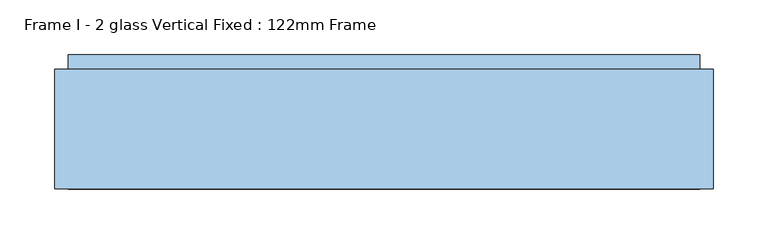
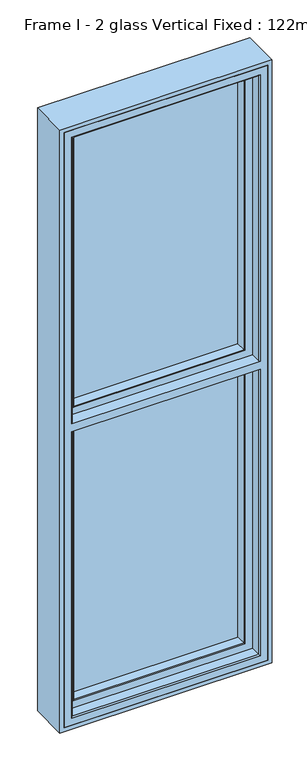
"""IFC4 building model written with IfcOpenShell, lengths in millimetres: window geometry, Frame I - 2 glass Vertical Fixed : 122mm Frame."""

from ifc_helpers import new_model, si_unit, frame, origin, place, context, project, spatial, polyline, circle_curve, ellipse_curve, outline, extrude, source, transform, mapped, element, save
from ifc_brep_helpers import plane_surface, cylinder_surface, advanced_brep


def frame_i_2_glass_vertical_fixed_122mm_frame_768f517a(model_context):
    return source(origin(), model_context, "Body", "SolidModel", [
        extrude(outline(polyline([(-252.6, 141.0), (252.6, 141.0), (252.6, 93.0), (-252.6, 93.0), (-252.6, 141.0)])), frame((0.0, 0.0, 847.4), z_axis=(0.0, 0.0, 1.0), x_axis=(1.0, 0.0, 0.0)), (0.0, 0.0, 1.0), 828.6),
        advanced_brep(
        [(-237.8697056, 91.0, 1662.2697056), (-240.9078547, 66.2562613, 1665.3078547), (-240.9078547, 66.2562613, 859.0921453), (-237.8697056, 91.0, 862.1302944), (-242.892947, 64.5, 1667.292947), (-242.892947, 64.5, 857.107053), (240.9078547, 66.2562613, 859.0921453), (237.8697056, 91.0, 862.1302944), (-261.5, 91.0, 1685.9), (261.5, 91.0, 1685.9), (261.5, 91.0, 838.5), (-261.5, 91.0, 838.5), (237.8697056, 91.0, 1662.2697056), (-261.5, 82.0, 1685.9), (-261.5, 82.0, 838.5), (261.5, 82.0, 838.5), (-264.0, 82.0, 1688.4), (264.0, 82.0, 1688.4), (264.0, 82.0, 836.0), (-264.0, 82.0, 836.0), (261.5, 82.0, 1685.9), (-264.0, 64.5, 1688.4), (-264.0, 64.5, 836.0), (264.0, 64.5, 836.0), (264.0, 64.5, 1688.4), (242.892947, 64.5, 1667.292947), (242.892947, 64.5, 857.107053), (240.9078547, 66.2562613, 1665.3078547)],
        [
            (0, 1),
            (1, 2),
            (2, 3),
            (3, 0),
            (1, 4, ellipse_curve(frame((-242.892947, 66.5, 1667.292947), z_axis=(-0.7071067811865475, 0.0, -0.7071067811865475), x_axis=(-0.7071067811865474, 0.0, 0.7071067811865476)), 2.8284271, 2.0)),
            (4, 5),
            (5, 2, ellipse_curve(frame((-242.892947, 66.5, 857.107053), z_axis=(-0.7071067811865475, 0.0, 0.7071067811865475), x_axis=(0.7071067811865474, 0.0, 0.7071067811865476)), 2.8284271, 2.0)),
            (2, 6),
            (6, 7),
            (7, 3),
            (8, 9),
            (9, 10),
            (10, 11),
            (11, 8),
            (7, 12),
            (12, 0),
            (13, 8),
            (11, 14),
            (14, 13),
            (10, 15),
            (15, 14),
            (16, 17),
            (17, 18),
            (18, 19),
            (19, 16),
            (15, 20),
            (20, 13),
            (21, 16),
            (19, 22),
            (22, 21),
            (18, 23),
            (23, 22),
            (23, 24),
            (24, 21),
            (4, 25),
            (25, 26),
            (26, 5),
            (26, 6, ellipse_curve(frame((242.892947, 66.5, 857.107053), z_axis=(-0.7071067811865475, 0.0, -0.7071067811865475), x_axis=(-0.7071067811865476, 0.0, 0.7071067811865474)), 2.8284271, 2.0)),
            (6, 27),
            (27, 12),
            (9, 20),
            (17, 24),
            (25, 27, ellipse_curve(frame((242.892947, 66.5, 1667.292947), z_axis=(0.7071067811865475, 0.0, -0.7071067811865475), x_axis=(-0.7071067811865474, 0.0, -0.7071067811865476)), 2.8284271, 2.0)),
            (27, 1),
        ],
        [
            plane_surface(frame((-240.9078547, 66.2562613, 1665.3078547), z_axis=(0.9925461516413219, -0.12186934340514886, 0.0), x_axis=(0.0, 0.0, -1.0))),
            cylinder_surface(frame((-242.892947, 66.5, 1662.0), z_axis=(0.0, 0.0, 1.0), x_axis=(0.0, 1.0, 0.0)), 2.0),
            plane_surface(frame((-240.9078547, 66.2562613, 859.0921453), z_axis=(0.0, -0.12186934340514886, 0.9925461516413219), x_axis=(1.0, 0.0, 0.0))),
            plane_surface(frame((237.8697056, 91.0, 1662.2697056), z_axis=(0.0, 1.0, 0.0), x_axis=(-1.0, 0.0, 0.0))),
            plane_surface(frame((-261.5, 91.0, 1685.9), z_axis=(-1.0, 0.0, 0.0), x_axis=(0.0, 0.0, -1.0))),
            plane_surface(frame((-261.5, 91.0, 838.5), z_axis=(0.0, 0.0, -1.0), x_axis=(1.0, 0.0, 0.0))),
            plane_surface(frame((261.5, 82.0, 1685.9), z_axis=(0.0, 1.0, 0.0), x_axis=(-1.0, 0.0, 0.0))),
            plane_surface(frame((-264.0, 82.0, 1688.4), z_axis=(-1.0, 0.0, 0.0), x_axis=(0.0, 0.0, -1.0))),
            plane_surface(frame((-264.0, 82.0, 836.0), z_axis=(0.0, 0.0, -1.0), x_axis=(1.0, 0.0, 0.0))),
            plane_surface(frame((264.0, 64.5, 1688.4), z_axis=(0.0, -1.0, 0.0), x_axis=(-1.0, 0.0, 0.0))),
            cylinder_surface(frame((-237.6, 66.5, 857.107053), z_axis=(-1.0, 0.0, 0.0), x_axis=(0.0, 1.0, 0.0)), 2.0),
            plane_surface(frame((240.9078547, 66.2562613, 859.0921453), z_axis=(-0.9925461516413219, -0.12186934340514886, 0.0), x_axis=(0.0, 0.0, 1.0))),
            plane_surface(frame((261.5, 91.0, 838.5), z_axis=(1.0, 0.0, 0.0), x_axis=(0.0, 0.0, 1.0))),
            plane_surface(frame((264.0, 82.0, 836.0), z_axis=(1.0, 0.0, 0.0), x_axis=(0.0, 0.0, 1.0))),
            cylinder_surface(frame((242.892947, 66.5, 862.4), z_axis=(0.0, 0.0, -1.0), x_axis=(0.0, 1.0, 0.0)), 2.0),
            plane_surface(frame((240.9078547, 66.2562613, 1665.3078547), z_axis=(0.0, -0.12186934340514886, -0.9925461516413219), x_axis=(-1.0, 0.0, 0.0))),
            plane_surface(frame((261.5, 91.0, 1685.9), z_axis=(0.0, 0.0, 1.0), x_axis=(-1.0, 0.0, 0.0))),
            plane_surface(frame((264.0, 82.0, 1688.4), z_axis=(0.0, 0.0, 1.0), x_axis=(-1.0, 0.0, 0.0))),
            cylinder_surface(frame((237.6, 66.5, 1667.292947), z_axis=(1.0, 0.0, 0.0), x_axis=(0.0, 1.0, 0.0)), 2.0),
        ],
        [
            (0, [[1, 2, 3, 4]]),
            (1, [[5, 6, 7, -2]]),
            (2, [[-3, 8, 9, 10]]),
            (3, [[11, 12, 13, 14], [-10, 15, 16, -4]]),
            (4, [[17, -14, 18, 19]]),
            (5, [[-18, -13, 20, 21]]),
            (6, [[22, 23, 24, 25], [-21, 26, 27, -19]]),
            (7, [[28, -25, 29, 30]]),
            (8, [[-29, -24, 31, 32]]),
            (9, [[-32, 33, 34, -30], [35, 36, 37, -6]]),
            (10, [[-7, -37, 38, -8]]),
            (11, [[-9, 39, 40, -15]]),
            (12, [[-20, -12, 41, -26]]),
            (13, [[-31, -23, 42, -33]]),
            (14, [[-38, -36, 43, -39]]),
            (15, [[-40, 44, -1, -16]]),
            (16, [[-41, -11, -17, -27]]),
            (17, [[-42, -22, -28, -34]]),
            (18, [[-43, -35, -5, -44]]),
        ],
    ),
        advanced_brep(
        [(-288.0, 32.0, 2588.0), (-288.0, 86.5, 2588.0), (-288.0, 86.5, 1712.0), (-288.0, 90.5, 1712.0), (-288.0, 90.5, 2588.0), (-288.0, 154.0, 2588.0), (-288.0, 154.0, 812.0), (-288.0, 90.5, 812.0), (-288.0, 90.5, 1688.0), (-288.0, 86.5, 1688.0), (-288.0, 86.5, 812.0), (-288.0, 32.0, 812.0), (288.0, 154.0, 2588.0), (288.0, 154.0, 812.0), (241.2576108, 154.0, 1665.2576108), (-241.2576108, 154.0, 1665.2576108), (-241.2576108, 154.0, 858.7423892), (241.2576108, 154.0, 858.7423892), (-241.2576108, 154.0, 1734.7423892), (241.2576108, 154.0, 1734.7423892), (241.2576108, 154.0, 2541.2576108), (-241.2576108, 154.0, 2541.2576108), (288.0, 90.5, 812.0), (288.0, 90.5, 1688.0), (281.0, 90.5, 1688.0), (281.0, 90.5, 819.0), (-281.0, 90.5, 819.0), (-281.0, 90.5, 1688.0), (288.0, 90.5, 2588.0), (-281.0, 90.5, 1712.0), (-281.0, 90.5, 2581.0), (281.0, 90.5, 2581.0), (281.0, 90.5, 1712.0), (288.0, 90.5, 1712.0), (-281.0, 86.5, 819.0), (281.0, 86.5, 819.0), (281.0, 86.5, 1688.0), (288.0, 86.5, 1688.0), (288.0, 86.5, 812.0), (-281.0, 86.5, 1688.0), (281.0, 86.5, 2581.0), (-281.0, 86.5, 2581.0), (-281.0, 86.5, 1712.0), (288.0, 86.5, 2588.0), (288.0, 86.5, 1712.0), (281.0, 86.5, 1712.0), (288.0, 32.0, 812.0), (288.0, 32.0, 2588.0), (-267.0, 32.0, 1688.0), (267.0, 32.0, 1688.0), (267.0, 32.0, 833.0), (-267.0, 32.0, 833.0), (267.0, 32.0, 1712.0), (-267.0, 32.0, 1712.0), (-267.0, 32.0, 2567.0), (267.0, 32.0, 2567.0), (-262.2226568, 142.0, 837.7773432), (262.2226568, 142.0, 837.7773432), (262.2226568, 142.0, 1686.0620126), (-262.2226568, 142.0, 1686.0620126), (-238.0131086, 142.0, 1661.5888426), (238.0131086, 142.0, 1661.5888426), (238.0131086, 142.0, 861.9868914), (-238.0131086, 142.0, 861.9868914), (262.2226568, 142.0, 2562.2226568), (-262.2226568, 142.0, 2562.2226568), (-262.2226568, 142.0, 1713.9379874), (262.2226568, 142.0, 1713.9379874), (-238.0131086, 142.0, 2538.0131086), (238.0131086, 142.0, 2538.0131086), (238.0131086, 142.0, 1738.4111574), (-238.0131086, 142.0, 1738.4111574), (-255.7805994, 91.0, 844.2194006), (255.7805994, 91.0, 844.2194006), (255.7805994, 91.0, 1679.8), (255.7805994, 91.0, 2555.7805994), (255.7805994, 91.0, 1720.2), (-255.7805994, 91.0, 1679.8), (-255.7805994, 91.0, 2555.7805994), (-255.7805994, 91.0, 1720.2), (238.0131086, 143.3877115, 861.9868914), (238.0131086, 143.3877115, 1662.0131086), (238.0131086, 143.3877115, 2538.0131086), (238.0131086, 143.3877115, 1737.9868914), (-238.0131086, 143.3877115, 861.9868914), (-238.0131086, 143.3877115, 1662.0131086), (-238.0131086, 143.3877115, 2538.0131086), (-238.0131086, 143.3877115, 1737.9868914), (-262.0, 91.0, 838.0), (262.0, 91.0, 838.0), (262.0, 91.0, 1688.0), (-262.0, 91.0, 1688.0), (262.0, 91.0, 2562.0), (-262.0, 91.0, 2562.0), (-262.0, 91.0, 1712.0), (262.0, 91.0, 1712.0), (-262.0, 83.0, 838.0), (262.0, 83.0, 838.0), (262.0, 83.0, 1688.0), (262.0, 83.0, 2562.0), (262.0, 83.0, 1712.0), (-262.0, 83.0, 1688.0), (-262.0, 83.0, 2562.0), (-262.0, 83.0, 1712.0), (264.0, 35.0, 836.0), (264.0, 35.0, 1688.0), (264.0, 35.0, 2564.0), (264.0, 35.0, 1712.0), (-264.0, 35.0, 836.0), (-264.0, 35.0, 1688.0), (-264.0, 35.0, 2564.0), (-264.0, 35.0, 1712.0), (-264.0, 83.0, 836.0), (-264.0, 83.0, 1688.0), (-264.0, 83.0, 2564.0), (-264.0, 83.0, 1712.0), (264.0, 83.0, 836.0), (264.0, 83.0, 1688.0), (264.0, 83.0, 2564.0), (264.0, 83.0, 1712.0)],
        [
            (0, 1),
            (1, 2),
            (2, 3),
            (3, 4),
            (4, 5),
            (5, 6),
            (6, 7),
            (7, 8),
            (8, 9),
            (9, 10),
            (10, 11),
            (11, 0),
            (5, 12),
            (12, 13),
            (13, 6),
            (14, 15),
            (15, 16),
            (16, 17),
            (17, 14),
            (18, 19),
            (19, 20),
            (20, 21),
            (21, 18),
            (13, 22),
            (22, 7),
            (22, 23),
            (23, 24),
            (24, 25),
            (25, 26),
            (26, 27),
            (27, 8),
            (28, 4),
            (3, 29),
            (29, 30),
            (30, 31),
            (31, 32),
            (32, 33),
            (33, 28),
            (34, 35),
            (35, 36),
            (36, 37),
            (37, 38),
            (38, 10),
            (9, 39),
            (39, 34),
            (40, 41),
            (41, 42),
            (42, 2),
            (1, 43),
            (43, 44),
            (44, 45),
            (45, 40),
            (46, 11),
            (38, 46),
            (46, 47),
            (47, 0),
            (48, 49),
            (49, 50),
            (50, 51),
            (51, 48),
            (52, 53),
            (53, 54),
            (54, 55),
            (55, 52),
            (12, 28),
            (33, 44),
            (43, 47),
            (37, 23),
            (56, 57),
            (57, 58),
            (58, 59),
            (59, 56),
            (60, 61),
            (61, 62),
            (62, 63),
            (63, 60),
            (64, 65),
            (65, 66),
            (66, 67),
            (67, 64),
            (68, 69),
            (69, 70),
            (70, 71),
            (71, 68),
            (56, 72),
            (72, 73),
            (73, 57),
            (73, 74),
            (74, 58),
            (75, 64),
            (67, 76),
            (76, 75),
            (59, 77),
            (77, 72),
            (65, 78),
            (78, 79),
            (79, 66),
            (80, 62),
            (61, 81),
            (81, 80),
            (69, 82),
            (82, 83),
            (83, 70),
            (84, 63),
            (80, 84),
            (84, 85),
            (85, 60),
            (86, 68),
            (71, 87),
            (87, 86),
            (88, 89),
            (89, 90),
            (90, 91),
            (91, 88),
            (77, 74),
            (92, 93),
            (93, 94),
            (94, 95),
            (95, 92),
            (76, 79),
            (78, 75),
            (88, 96),
            (96, 97),
            (97, 89),
            (97, 98),
            (98, 90),
            (99, 92),
            (95, 100),
            (100, 99),
            (91, 101),
            (101, 96),
            (93, 102),
            (102, 103),
            (103, 94),
            (104, 50, ellipse_curve(frame((267.0, 35.0, 833.0), z_axis=(0.7071067811865475, 0.0, 0.7071067811865475), x_axis=(0.7071067811865474, 0.0, -0.7071067811865476)), 4.2426407, 3.0)),
            (49, 105, circle_curve(frame((267.0, 35.0, 1688.0), z_axis=(0.0, 0.0, -1.0), x_axis=(0.0, 1.0, 0.0)), 3.0)),
            (105, 104),
            (55, 106, ellipse_curve(frame((267.0, 35.0, 2567.0), z_axis=(0.7071067811865475, 0.0, -0.7071067811865475), x_axis=(-0.7071067811865474, 0.0, -0.7071067811865476)), 4.2426407, 3.0)),
            (106, 107),
            (107, 52, circle_curve(frame((267.0, 35.0, 1712.0), z_axis=(0.0, 0.0, 1.0), x_axis=(0.0, 1.0, 0.0)), 3.0)),
            (104, 108),
            (108, 51, ellipse_curve(frame((-267.0, 35.0, 833.0), z_axis=(0.7071067811865475, 0.0, -0.7071067811865475), x_axis=(-0.7071067811865476, 0.0, -0.7071067811865474)), 4.2426407, 3.0)),
            (108, 109),
            (109, 48, circle_curve(frame((-267.0, 35.0, 1688.0), z_axis=(0.0, 0.0, -1.0), x_axis=(0.0, 1.0, 0.0)), 3.0)),
            (110, 54, ellipse_curve(frame((-267.0, 35.0, 2567.0), z_axis=(-0.7071067811865475, 0.0, -0.7071067811865475), x_axis=(-0.7071067811865474, 0.0, 0.7071067811865476)), 4.2426407, 3.0)),
            (53, 111, circle_curve(frame((-267.0, 35.0, 1712.0), z_axis=(0.0, 0.0, 1.0), x_axis=(0.0, 1.0, 0.0)), 3.0)),
            (111, 110),
            (84, 16),
            (15, 85),
            (21, 86),
            (87, 18),
            (80, 17),
            (81, 14),
            (82, 20),
            (19, 83),
            (108, 112),
            (112, 113),
            (113, 109),
            (114, 110),
            (111, 115),
            (115, 114),
            (104, 116),
            (116, 112),
            (116, 117),
            (117, 98),
            (101, 113),
            (118, 114),
            (115, 103),
            (102, 99),
            (100, 119),
            (119, 118),
            (105, 117),
            (106, 118),
            (119, 107),
            (26, 34),
            (39, 27),
            (41, 30),
            (29, 42),
            (25, 35),
            (24, 36),
            (31, 40),
            (45, 32),
            (86, 82),
            (110, 106),
        ],
        [
            plane_surface(frame((-288.0, 154.0, 1665.2576108), z_axis=(-1.0, 0.0, 0.0), x_axis=(0.0, -0.9563047559631892, -0.292371704722234))),
            plane_surface(frame((-288.0, 154.0, 1734.7423892), z_axis=(0.0, 1.0, 0.0), x_axis=(1.0, 0.0, 0.0))),
            plane_surface(frame((-288.0, 154.0, 812.0), z_axis=(0.0, 0.0, -1.0), x_axis=(1.0, 0.0, 0.0))),
            plane_surface(frame((288.0, 90.5, 2588.0), z_axis=(0.0, -1.0, 0.0), x_axis=(-1.0, 0.0, 0.0))),
            plane_surface(frame((281.0, 86.5, 2581.0), z_axis=(0.0, 1.0, 0.0), x_axis=(-1.0, 0.0, 0.0))),
            plane_surface(frame((-288.0, 86.5, 812.0), z_axis=(0.0, 0.0, -1.0), x_axis=(1.0, 0.0, 0.0))),
            plane_surface(frame((-288.0, 32.0, 1688.0), z_axis=(0.0, -1.0, 0.0), x_axis=(1.0, 0.0, 0.0))),
            plane_surface(frame((288.0, 154.0, 1665.2576108), z_axis=(1.0, 0.0, 0.0), x_axis=(0.0, 0.9563047559631892, 0.292371704722234))),
            plane_surface(frame((-288.0, 142.0, 1661.5888426), z_axis=(0.0, -1.0, 0.0), x_axis=(1.0, 0.0, 0.0))),
            plane_surface(frame((-255.7805994, 91.0, 844.2194006), z_axis=(0.0, 0.12531904619186096, 0.9921164934933611), x_axis=(1.0, 0.0, 0.0))),
            plane_surface(frame((255.7805994, 91.0, 844.2194006), z_axis=(-0.9921164934933611, 0.12531904619186096, 0.0), x_axis=(0.0, 0.0, 1.0))),
            plane_surface(frame((-255.7805994, 91.0, 2555.7805994), z_axis=(0.9921164934933611, 0.12531904619186096, 0.0), x_axis=(0.0, 0.0, -1.0))),
            plane_surface(frame((238.0131086, 142.0, 861.9868914), z_axis=(-1.0, 0.0, 0.0), x_axis=(0.0, 0.0, 1.0))),
            plane_surface(frame((-238.0131086, 142.0, 861.9868914), z_axis=(0.0, 0.0, 1.0), x_axis=(1.0, 0.0, 0.0))),
            plane_surface(frame((-238.0131086, 142.0, 2538.0131086), z_axis=(1.0, 0.0, 0.0), x_axis=(0.0, 0.0, -1.0))),
            plane_surface(frame((-288.0, 91.0, 1679.8), z_axis=(0.0, -1.0, 0.0), x_axis=(1.0, 0.0, 0.0))),
            plane_surface(frame((-262.0, 83.0, 838.0), z_axis=(0.0, 0.0, 1.0), x_axis=(1.0, 0.0, 0.0))),
            plane_surface(frame((262.0, 83.0, 838.0), z_axis=(-1.0, 0.0, 0.0), x_axis=(0.0, 0.0, 1.0))),
            plane_surface(frame((-262.0, 83.0, 2562.0), z_axis=(1.0, 0.0, 0.0), x_axis=(0.0, 0.0, -1.0))),
            cylinder_surface(frame((267.0, 35.0, 812.0), z_axis=(0.0, 0.0, -1.0), x_axis=(0.0, 1.0, 0.0)), 3.0),
            cylinder_surface(frame((-288.0, 35.0, 833.0), z_axis=(-1.0, 0.0, 0.0), x_axis=(0.0, 1.0, 0.0)), 3.0),
            cylinder_surface(frame((-267.0, 35.0, 2588.0), z_axis=(0.0, 0.0, 1.0), x_axis=(0.0, 1.0, 0.0)), 3.0),
            plane_surface(frame((-238.0131086, 143.3877115, 2538.0131086), z_axis=(0.9563047559629333, 0.2923717047230709, 0.0), x_axis=(0.0, 0.0, -1.0))),
            plane_surface(frame((-238.0131086, 143.3877115, 861.9868914), z_axis=(0.0, 0.2923717047230709, 0.9563047559629333), x_axis=(1.0, 0.0, 0.0))),
            plane_surface(frame((238.0131086, 143.3877115, 861.9868914), z_axis=(-0.9563047559629333, 0.2923717047230709, 0.0), x_axis=(0.0, 0.0, 1.0))),
            plane_surface(frame((-264.0, 35.0, 2564.0), z_axis=(1.0, 0.0, 0.0), x_axis=(0.0, 0.0, -1.0))),
            plane_surface(frame((-264.0, 35.0, 836.0), z_axis=(0.0, 0.0, 1.0), x_axis=(1.0, 0.0, 0.0))),
            plane_surface(frame((264.0, 83.0, 2564.0), z_axis=(0.0, -1.0, 0.0), x_axis=(-1.0, 0.0, 0.0))),
            plane_surface(frame((264.0, 35.0, 836.0), z_axis=(-1.0, 0.0, 0.0), x_axis=(0.0, 0.0, 1.0))),
            plane_surface(frame((-281.0, 90.5, 2581.0), z_axis=(-1.0, 0.0, 0.0), x_axis=(0.0, 0.0, -1.0))),
            plane_surface(frame((-281.0, 90.5, 819.0), z_axis=(0.0, 0.0, -1.0), x_axis=(1.0, 0.0, 0.0))),
            plane_surface(frame((281.0, 90.5, 819.0), z_axis=(1.0, 0.0, 0.0), x_axis=(0.0, 0.0, 1.0))),
            plane_surface(frame((288.0, 86.5, 2588.0), z_axis=(0.0, 0.0, 1.0), x_axis=(-1.0, 0.0, 0.0))),
            plane_surface(frame((288.0, 154.0, 2588.0), z_axis=(0.0, 0.0, 1.0), x_axis=(-1.0, 0.0, 0.0))),
            plane_surface(frame((238.0131086, 142.0, 2538.0131086), z_axis=(0.0, 0.0, -1.0), x_axis=(-1.0, 0.0, 0.0))),
            plane_surface(frame((255.7805994, 91.0, 2555.7805994), z_axis=(0.0, 0.12531904619186096, -0.9921164934933611), x_axis=(-1.0, 0.0, 0.0))),
            plane_surface(frame((262.0, 83.0, 2562.0), z_axis=(0.0, 0.0, -1.0), x_axis=(-1.0, 0.0, 0.0))),
            cylinder_surface(frame((288.0, 35.0, 2567.0), z_axis=(1.0, 0.0, 0.0), x_axis=(0.0, 1.0, 0.0)), 3.0),
            plane_surface(frame((238.0131086, 143.3877115, 2538.0131086), z_axis=(0.0, 0.2923717047230709, -0.9563047559629333), x_axis=(-1.0, 0.0, 0.0))),
            plane_surface(frame((264.0, 35.0, 2564.0), z_axis=(0.0, 0.0, -1.0), x_axis=(-1.0, 0.0, 0.0))),
            plane_surface(frame((281.0, 90.5, 2581.0), z_axis=(0.0, 0.0, 1.0), x_axis=(-1.0, 0.0, 0.0))),
            plane_surface(frame((-288.0, 154.0, 1665.2576108), z_axis=(0.0, 0.292371704722234, -0.9563047559631892), x_axis=(1.0, 0.0, 0.0))),
            plane_surface(frame((-288.0, 142.0, 1686.0620126), z_axis=(0.0, 0.12186934340522143, -0.992546151641313), x_axis=(1.0, 0.0, 0.0))),
            plane_surface(frame((-288.0, 91.0, 1688.0), z_axis=(0.0, 0.0, -1.0), x_axis=(1.0, 0.0, 0.0))),
            plane_surface(frame((-288.0, 32.0, 1712.0), z_axis=(0.0, 0.0, 1.0), x_axis=(1.0, 0.0, 0.0))),
            plane_surface(frame((-288.0, 91.0, 1720.2), z_axis=(0.0, 0.12186934340527229, 0.9925461516413068), x_axis=(1.0, 0.0, 0.0))),
            plane_surface(frame((-288.0, 142.0, 1738.4111574), z_axis=(0.0, 0.2923717047222423, 0.9563047559631866), x_axis=(1.0, 0.0, 0.0))),
        ],
        [
            (0, [[1, 2, 3, 4, 5, 6, 7, 8, 9, 10, 11, 12]]),
            (1, [[-6, 13, 14, 15], [16, 17, 18, 19], [20, 21, 22, 23]]),
            (2, [[-7, -15, 24, 25]]),
            (3, [[-25, 26, 27, 28, 29, 30, 31, -8]]),
            (3, [[32, -4, 33, 34, 35, 36, 37, 38]]),
            (4, [[39, 40, 41, 42, 43, -10, 44, 45]]),
            (4, [[46, 47, 48, -2, 49, 50, 51, 52]]),
            (5, [[53, -11, -43, 54]]),
            (6, [[-12, -53, 55, 56], [57, 58, 59, 60], [61, 62, 63, 64]]),
            (7, [[65, -38, 66, -50, 67, -55, -54, -42, 68, -26, -24, -14]]),
            (8, [[69, 70, 71, 72], [73, 74, 75, 76]]),
            (8, [[77, 78, 79, 80], [81, 82, 83, 84]]),
            (9, [[-69, 85, 86, 87]]),
            (10, [[-70, -87, 88, 89]]),
            (10, [[90, -80, 91, 92]]),
            (11, [[-85, -72, 93, 94]]),
            (11, [[-78, 95, 96, 97]]),
            (12, [[98, -74, 99, 100]]),
            (12, [[101, 102, 103, -82]]),
            (13, [[104, -75, -98, 105]]),
            (14, [[-104, 106, 107, -76]]),
            (14, [[108, -84, 109, 110]]),
            (15, [[111, 112, 113, 114], [115, -88, -86, -94]]),
            (15, [[116, 117, 118, 119], [-92, 120, -96, 121]]),
            (16, [[122, 123, 124, -111]]),
            (17, [[-112, -124, 125, 126]]),
            (17, [[127, -119, 128, 129]]),
            (18, [[-122, -114, 130, 131]]),
            (18, [[-117, 132, 133, 134]]),
            (19, [[135, -58, 136, 137]]),
            (19, [[138, 139, 140, -64]]),
            (20, [[141, 142, -59, -135]]),
            (21, [[-142, 143, 144, -60]]),
            (21, [[145, -62, 146, 147]]),
            (22, [[148, -17, 149, -106]]),
            (22, [[150, -110, 151, -23]]),
            (23, [[-148, -105, 152, -18]]),
            (24, [[-152, -100, 153, -19]]),
            (24, [[154, -21, 155, -102]]),
            (25, [[156, 157, 158, -143]]),
            (25, [[159, -147, 160, 161]]),
            (26, [[-156, -141, 162, 163]]),
            (27, [[-163, 164, 165, -125, -123, -131, 166, -157]]),
            (27, [[167, -161, 168, -133, 169, -129, 170, 171]]),
            (28, [[-162, -137, 172, -164]]),
            (28, [[173, -171, 174, -139]]),
            (29, [[175, -45, 176, -30]]),
            (29, [[177, -34, 178, -47]]),
            (30, [[-175, -29, 179, -39]]),
            (31, [[-179, -28, 180, -40]]),
            (31, [[181, -52, 182, -36]]),
            (32, [[-56, -67, -49, -1]]),
            (33, [[-5, -32, -65, -13]]),
            (34, [[-108, 183, -101, -81]]),
            (35, [[-77, -90, -121, -95]]),
            (36, [[-132, -116, -127, -169]]),
            (37, [[184, -138, -63, -145]]),
            (38, [[-150, -22, -154, -183]]),
            (39, [[-159, -167, -173, -184]]),
            (40, [[-177, -46, -181, -35]]),
            (41, [[-16, -153, -99, -73, -107, -149]]),
            (42, [[-71, -89, -115, -93]]),
            (43, [[-9, -31, -176, -44]]),
            (43, [[-68, -41, -180, -27]]),
            (43, [[-113, -126, -165, -172, -136, -57, -144, -158, -166, -130]]),
            (44, [[-3, -48, -178, -33]]),
            (44, [[-66, -37, -182, -51]]),
            (44, [[-61, -140, -174, -170, -128, -118, -134, -168, -160, -146]]),
            (45, [[-120, -91, -79, -97]]),
            (46, [[-83, -103, -155, -20, -151, -109]]),
        ],
    ),
        extrude(outline(polyline([(2600.0, -300.0), (800.0, -300.0), (800.0, 300.0), (2600.0, 300.0), (2600.0, -300.0)]), holes=[polyline([(2588.0, 288.0), (812.0, 288.0), (812.0, -288.0), (2588.0, -288.0), (2588.0, 288.0)])]), frame((0.0, 32.0, 0.0), z_axis=(0.0, 1.0, 0.0), x_axis=(0.0, 0.0, 1.0)), (0.0, 0.0, 1.0), 109.0),
        extrude(outline(polyline([(-252.6, 141.0), (252.6, 141.0), (252.6, 93.0), (-252.6, 93.0), (-252.6, 141.0)])), frame((0.0, 0.0, 1724.0), z_axis=(0.0, 0.0, 1.0), x_axis=(1.0, 0.0, 0.0)), (0.0, 0.0, 1.0), 828.6),
        advanced_brep(
        [(237.8697056, 91.0, 2537.8697056), (240.9078547, 66.2562613, 2540.9078547), (-240.9078547, 66.2562613, 2540.9078547), (-237.8697056, 91.0, 2537.8697056), (-240.9078547, 66.2562613, 1734.6921453), (-237.8697056, 91.0, 1737.7302944), (-242.892947, 64.5, 2542.892947), (-242.892947, 64.5, 1732.707053), (-261.5, 91.0, 2561.5), (261.5, 91.0, 2561.5), (261.5, 91.0, 1714.1), (-261.5, 91.0, 1714.1), (237.8697056, 91.0, 1737.7302944), (261.5, 82.0, 2561.5), (-261.5, 82.0, 2561.5), (-261.5, 82.0, 1714.1), (-264.0, 82.0, 2564.0), (264.0, 82.0, 2564.0), (264.0, 82.0, 1711.6), (-264.0, 82.0, 1711.6), (261.5, 82.0, 1714.1), (264.0, 64.5, 2564.0), (-264.0, 64.5, 2564.0), (-264.0, 64.5, 1711.6), (264.0, 64.5, 1711.6), (242.892947, 64.5, 2542.892947), (242.892947, 64.5, 1732.707053), (240.9078547, 66.2562613, 1734.6921453)],
        [
            (0, 1),
            (1, 2),
            (2, 3),
            (3, 0),
            (2, 4),
            (4, 5),
            (5, 3),
            (2, 6, ellipse_curve(frame((-242.892947, 66.5, 2542.892947), z_axis=(-0.7071067811865475, 0.0, -0.7071067811865475), x_axis=(-0.7071067811865474, 0.0, 0.7071067811865476)), 2.8284271, 2.0)),
            (6, 7),
            (7, 4, ellipse_curve(frame((-242.892947, 66.5, 1732.707053), z_axis=(-0.7071067811865475, 0.0, 0.7071067811865475), x_axis=(0.7071067811865474, 0.0, 0.7071067811865476)), 2.8284271, 2.0)),
            (8, 9),
            (9, 10),
            (10, 11),
            (11, 8),
            (5, 12),
            (12, 0),
            (13, 9),
            (8, 14),
            (14, 13),
            (11, 15),
            (15, 14),
            (16, 17),
            (17, 18),
            (18, 19),
            (19, 16),
            (15, 20),
            (20, 13),
            (21, 17),
            (16, 22),
            (22, 21),
            (19, 23),
            (23, 22),
            (23, 24),
            (24, 21),
            (6, 25),
            (25, 26),
            (26, 7),
            (1, 25, ellipse_curve(frame((242.892947, 66.5, 2542.892947), z_axis=(-0.7071067811865475, 0.0, 0.7071067811865475), x_axis=(0.7071067811865476, 0.0, 0.7071067811865474)), 2.8284271, 2.0)),
            (12, 27),
            (27, 1),
            (27, 26, ellipse_curve(frame((242.892947, 66.5, 1732.707053), z_axis=(0.7071067811865475, 0.0, 0.7071067811865475), x_axis=(0.7071067811865474, 0.0, -0.7071067811865476)), 2.8284271, 2.0)),
            (20, 10),
            (24, 18),
            (4, 27),
        ],
        [
            plane_surface(frame((240.9078547, 66.2562613, 2540.9078547), z_axis=(0.0, -0.12186934340514886, -0.9925461516413219), x_axis=(-1.0, 0.0, 0.0))),
            plane_surface(frame((-240.9078547, 66.2562613, 2540.9078547), z_axis=(0.9925461516413219, -0.12186934340514886, 0.0), x_axis=(0.0, 0.0, -1.0))),
            cylinder_surface(frame((-242.892947, 66.5, 2537.6), z_axis=(0.0, 0.0, 1.0), x_axis=(0.0, 1.0, 0.0)), 2.0),
            plane_surface(frame((237.8697056, 91.0, 2537.8697056), z_axis=(0.0, 1.0, 0.0), x_axis=(-1.0, 0.0, 0.0))),
            plane_surface(frame((261.5, 91.0, 2561.5), z_axis=(0.0, 0.0, 1.0), x_axis=(-1.0, 0.0, 0.0))),
            plane_surface(frame((-261.5, 91.0, 2561.5), z_axis=(-1.0, 0.0, 0.0), x_axis=(0.0, 0.0, -1.0))),
            plane_surface(frame((261.5, 82.0, 2561.5), z_axis=(0.0, 1.0, 0.0), x_axis=(-1.0, 0.0, 0.0))),
            plane_surface(frame((264.0, 82.0, 2564.0), z_axis=(0.0, 0.0, 1.0), x_axis=(-1.0, 0.0, 0.0))),
            plane_surface(frame((-264.0, 82.0, 2564.0), z_axis=(-1.0, 0.0, 0.0), x_axis=(0.0, 0.0, -1.0))),
            plane_surface(frame((264.0, 64.5, 2564.0), z_axis=(0.0, -1.0, 0.0), x_axis=(-1.0, 0.0, 0.0))),
            cylinder_surface(frame((237.6, 66.5, 2542.892947), z_axis=(1.0, 0.0, 0.0), x_axis=(0.0, 1.0, 0.0)), 2.0),
            plane_surface(frame((240.9078547, 66.2562613, 1734.6921453), z_axis=(-0.9925461516413219, -0.12186934340514886, 0.0), x_axis=(0.0, 0.0, 1.0))),
            cylinder_surface(frame((242.892947, 66.5, 1738.0), z_axis=(0.0, 0.0, -1.0), x_axis=(0.0, 1.0, 0.0)), 2.0),
            plane_surface(frame((261.5, 91.0, 1714.1), z_axis=(1.0, 0.0, 0.0), x_axis=(0.0, 0.0, 1.0))),
            plane_surface(frame((264.0, 82.0, 1711.6), z_axis=(1.0, 0.0, 0.0), x_axis=(0.0, 0.0, 1.0))),
            plane_surface(frame((-240.9078547, 66.2562613, 1734.6921453), z_axis=(0.0, -0.12186934340514886, 0.9925461516413219), x_axis=(1.0, 0.0, 0.0))),
            plane_surface(frame((-261.5, 91.0, 1714.1), z_axis=(0.0, 0.0, -1.0), x_axis=(1.0, 0.0, 0.0))),
            plane_surface(frame((-264.0, 82.0, 1711.6), z_axis=(0.0, 0.0, -1.0), x_axis=(1.0, 0.0, 0.0))),
            cylinder_surface(frame((-237.6, 66.5, 1732.707053), z_axis=(-1.0, 0.0, 0.0), x_axis=(0.0, 1.0, 0.0)), 2.0),
        ],
        [
            (0, [[1, 2, 3, 4]]),
            (1, [[-3, 5, 6, 7]]),
            (2, [[8, 9, 10, -5]]),
            (3, [[11, 12, 13, 14], [15, 16, -4, -7]]),
            (4, [[17, -11, 18, 19]]),
            (5, [[-18, -14, 20, 21]]),
            (6, [[22, 23, 24, 25], [26, 27, -19, -21]]),
            (7, [[28, -22, 29, 30]]),
            (8, [[-29, -25, 31, 32]]),
            (9, [[33, 34, -30, -32], [35, 36, 37, -9]]),
            (10, [[38, -35, -8, -2]]),
            (11, [[39, 40, -1, -16]]),
            (12, [[41, -36, -38, -40]]),
            (13, [[42, -12, -17, -27]]),
            (14, [[43, -23, -28, -34]]),
            (15, [[-6, 44, -39, -15]]),
            (16, [[-20, -13, -42, -26]]),
            (17, [[-31, -24, -43, -33]]),
            (18, [[-10, -37, -41, -44]]),
        ],
    ),
    ])


if __name__ == "__main__":
    model = new_model("IFC4")
    model_context = context("Model", 3, world=origin())
    ifc_project = project(units=[si_unit("LENGTHUNIT", "METRE", prefix="MILLI")], contexts=[model_context])
    site = spatial("IfcSite", under=ifc_project)
    building = spatial("IfcBuilding", under=site)
    placement = place(None, origin())
    frame_i_2_glass_vertical_fixed_122mm_frame_shape = frame_i_2_glass_vertical_fixed_122mm_frame_768f517a(model_context)
    element("IfcWindow", 1, ObjectType="Frame I - 2 glass Vertical Fixed : 122mm Frame", at=placement, inside=building, context=model_context, shape_type="MappedRepresentation", body=[
        mapped(frame_i_2_glass_vertical_fixed_122mm_frame_shape, transform((0.0, 0.0, 0.0), x_axis=(1.0, 0.0, 0.0), y_axis=(0.0, 1.0, 0.0), z_axis=(0.0, 0.0, 1.0))),
    ])
    save(model, "model.ifc")
